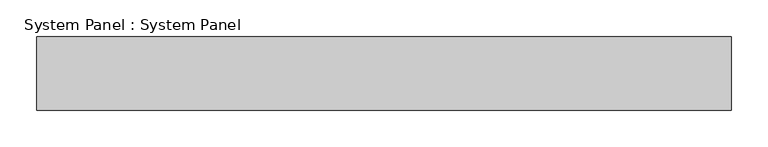
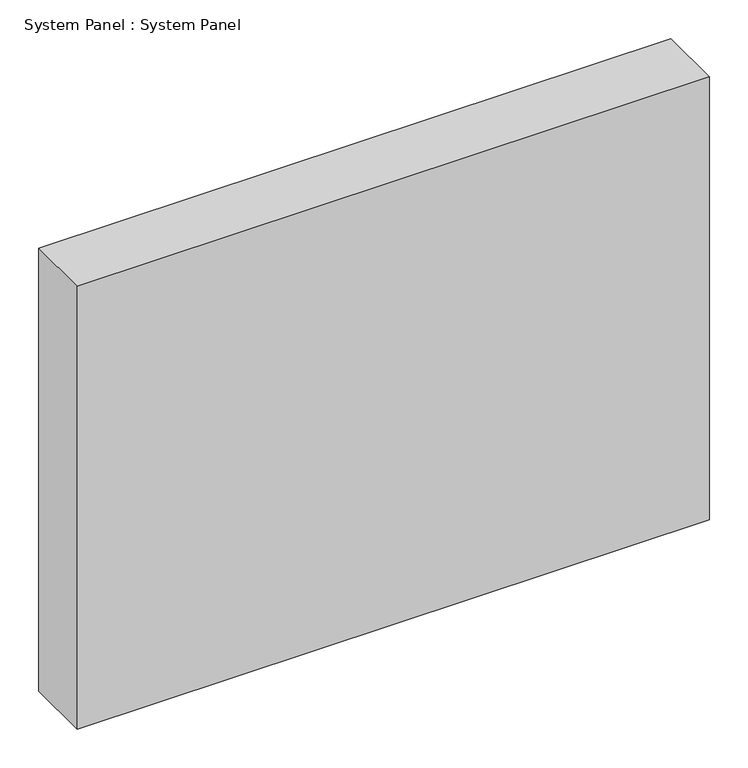
"""IFC4 building model written with IfcOpenShell, lengths in millimetres: plate geometry, System Panel : System Panel."""

from ifc_helpers import new_model, si_unit, origin, origin_with_axes, place, context, project, spatial, polyline, outline, extrude, source, transform, mapped, element, save


def system_panel_system_panel_2a8d9aa0(model_context):
    return source(origin(), model_context, "Body", "SweptSolid", [
        extrude(outline(polyline([(473.1695549, -50.0), (-473.1695549, -50.0), (-473.1695549, 50.0), (473.1695549, 50.0), (473.1695549, -50.0)])), origin_with_axes(), (0.0, 0.0, 1.0), 700.694024),
    ])


if __name__ == "__main__":
    model = new_model("IFC4")
    model_context = context("Model", 3, world=origin())
    ifc_project = project(units=[si_unit("LENGTHUNIT", "METRE", prefix="MILLI")], contexts=[model_context])
    site = spatial("IfcSite", under=ifc_project)
    building = spatial("IfcBuilding", under=site)
    placement = place(None, origin())
    system_panel_system_panel_shape = system_panel_system_panel_2a8d9aa0(model_context)
    element("IfcPlate", 1, ObjectType="System Panel : System Panel", at=placement, inside=building, context=model_context, shape_type="MappedRepresentation", body=[
        mapped(system_panel_system_panel_shape, transform((0.0, 0.0, 0.0), x_axis=(1.0, 0.0, 0.0), y_axis=(0.0, 1.0, 0.0), z_axis=(0.0, 0.0, 1.0))),
    ])
    save(model, "model.ifc")
